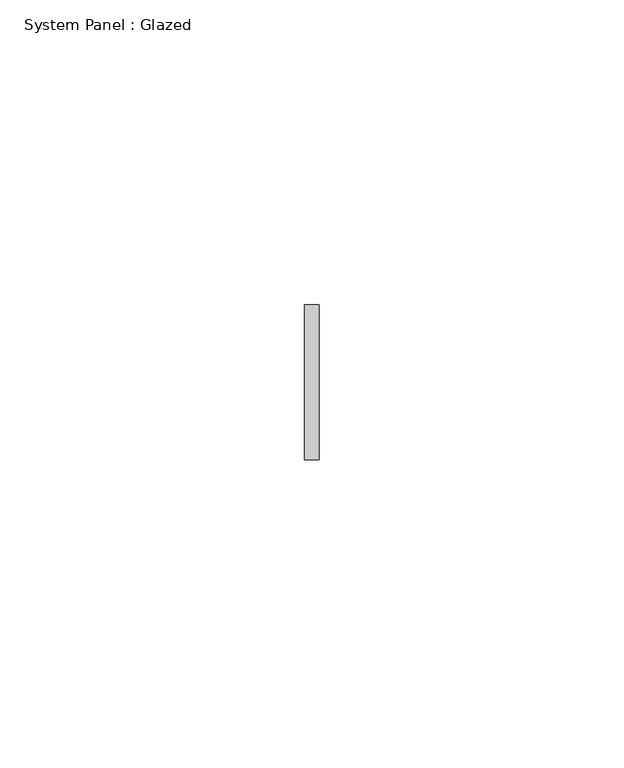
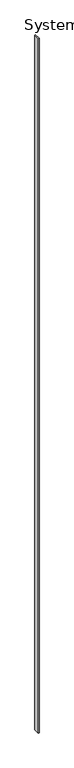
"""IFC4 building model written with IfcOpenShell, lengths in millimetres: plate geometry, System Panel : Glazed."""

from ifc_helpers import new_model, si_unit, origin, origin_with_axes, place, context, project, spatial, polyline, outline, extrude, source, transform, mapped, element, save


def system_panel_glazed_8a10e4c3(model_context):
    return source(origin(), model_context, "Body", "SweptSolid", [
        extrude(outline(polyline([(1.1811783, 2.4804687), (-1.1811783, 2.4804687), (-1.1811783, 27.8804687), (1.1811783, 27.8804687), (1.1811783, 2.4804687)])), origin_with_axes(), (0.0, 0.0, 1.0), 3048.0),
    ])


if __name__ == "__main__":
    model = new_model("IFC4")
    model_context = context("Model", 3, world=origin())
    ifc_project = project(units=[si_unit("LENGTHUNIT", "METRE", prefix="MILLI")], contexts=[model_context])
    site = spatial("IfcSite", under=ifc_project)
    building = spatial("IfcBuilding", under=site)
    placement = place(None, origin())
    system_panel_glazed_shape = system_panel_glazed_8a10e4c3(model_context)
    element("IfcPlate", 1, ObjectType="System Panel : Glazed", at=placement, inside=building, context=model_context, shape_type="MappedRepresentation", body=[
        mapped(system_panel_glazed_shape, transform((0.0, 0.0, 0.0), x_axis=(1.0, 0.0, 0.0), y_axis=(0.0, 1.0, 0.0), z_axis=(0.0, 0.0, 1.0))),
    ])
    save(model, "model.ifc")
